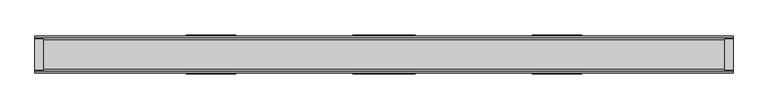
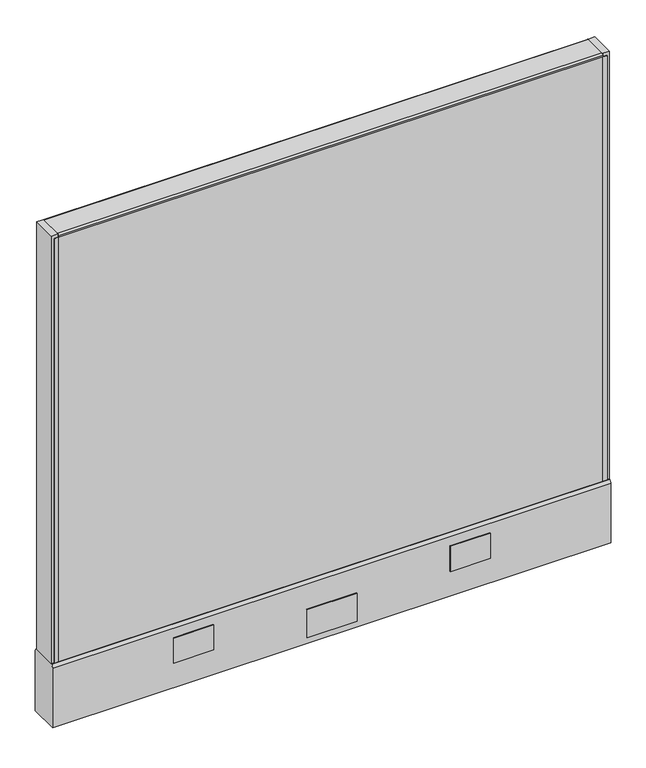
"""IFC4 building model written with IfcOpenShell, lengths in millimetres: furniture geometry."""

from ifc_helpers import new_model, si_unit, point, frame, frame_2d, origin, place, context, project, spatial, polyline, circle_curve, trimmed, segment, composite_curve, outline, extrude, source, transform, mapped, element, save
from ifc_brep_helpers import plane_surface, cylinder_surface, advanced_brep


def furniture_576971b4(model_context):
    return source(origin(), model_context, "Body", "SolidModel", [
        extrude(outline(polyline([(520.7, 25.4), (520.7, 0.0), (-520.7, 0.0), (-520.7, 25.4), (520.7, 25.4)])), frame((0.0, 0.0, 136.525), z_axis=(0.0, 0.0, 1.0), x_axis=(1.0, 0.0, 0.0)), (0.0, 0.0, 1.0), 857.25),
        extrude(outline(polyline([(47.625, 28.575), (-47.625, 28.575), (-47.625, 30.1625), (47.625, 30.1625), (47.625, 28.575)])), frame((0.0, 0.0, 22.225), z_axis=(0.0, 0.0, 1.0), x_axis=(1.0, 0.0, 0.0)), (0.0, 0.0, 1.0), 57.15),
        extrude(outline(polyline([(47.625, -30.1625), (-47.625, -30.1625), (-47.625, -28.575), (47.625, -28.575), (47.625, -30.1625)])), frame((0.0, 0.0, 22.225), z_axis=(0.0, 0.0, 1.0), x_axis=(1.0, 0.0, 0.0)), (0.0, 0.0, 1.0), 57.15),
        advanced_brep(
        [(476.25, 0.0, 0.0), (501.65, 0.0, 0.0), (488.95, 0.0, 0.0), (476.25, 0.0, 4.7625), (501.65, 0.0, 4.7625), (482.6, 0.0, 4.7625), (495.3, 0.0, 4.7625), (482.6, 0.0, 111.125), (495.3, 0.0, 111.125), (488.95, 0.0, 111.125)],
        [
            (0, 1, circle_curve(frame((488.95, 0.0, 0.0), z_axis=(0.0, 0.0, -1.0), x_axis=(1.0, 0.0, 0.0)), 12.7)),
            (1, 2),
            (2, 0),
            (1, 0, circle_curve(frame((488.95, 0.0, 0.0), z_axis=(0.0, 0.0, -1.0), x_axis=(1.0, 0.0, 0.0)), 12.7)),
            (3, 4, circle_curve(frame((488.95, 0.0, 4.7625), z_axis=(0.0, 0.0, -1.0), x_axis=(1.0, 0.0, 0.0)), 12.7)),
            (4, 1),
            (0, 3),
            (4, 3, circle_curve(frame((488.95, 0.0, 4.7625), z_axis=(0.0, 0.0, -1.0), x_axis=(1.0, 0.0, 0.0)), 12.7)),
            (5, 6, circle_curve(frame((488.95, 0.0, 4.7625), z_axis=(0.0, 0.0, -1.0), x_axis=(1.0, 0.0, 0.0)), 6.35)),
            (6, 4),
            (3, 5),
            (6, 5, circle_curve(frame((488.95, 0.0, 4.7625), z_axis=(0.0, 0.0, -1.0), x_axis=(1.0, 0.0, 0.0)), 6.35)),
            (7, 8, circle_curve(frame((488.95, 0.0, 111.125), z_axis=(0.0, 0.0, -1.0), x_axis=(1.0, 0.0, 0.0)), 6.35)),
            (8, 6),
            (5, 7),
            (8, 7, circle_curve(frame((488.95, 0.0, 111.125), z_axis=(0.0, 0.0, -1.0), x_axis=(1.0, 0.0, 0.0)), 6.35)),
            (9, 8),
            (7, 9),
        ],
        [
            plane_surface(frame((488.95, 0.0, 0.0), z_axis=(0.0, 0.0, -1.0), x_axis=(1.0, 0.0, 0.0))),
            cylinder_surface(frame((488.95, 0.0, 114.882153), z_axis=(0.0, 0.0, 1.0), x_axis=(1.0, 0.0, 0.0)), 12.7),
            plane_surface(frame((488.95, 0.0, 4.7625), z_axis=(0.0, 0.0, 1.0), x_axis=(1.0, 0.0, 0.0))),
            cylinder_surface(frame((488.95, 0.0, 114.882153), z_axis=(0.0, 0.0, 1.0), x_axis=(1.0, 0.0, 0.0)), 6.35),
            plane_surface(frame((488.95, 0.0, 111.125), z_axis=(0.0, 0.0, 1.0), x_axis=(1.0, 0.0, 0.0))),
        ],
        [
            (0, [[1, 2, 3]]),
            (0, [[4, -3, -2]]),
            (1, [[5, 6, -1, 7]]),
            (1, [[8, -7, -4, -6]]),
            (2, [[9, 10, -5, 11]]),
            (2, [[12, -11, -8, -10]]),
            (3, [[13, 14, -9, 15]]),
            (3, [[16, -15, -12, -14]]),
            (4, [[17, -13, 18]]),
            (4, [[-18, -16, -17]]),
        ],
    ),
        advanced_brep(
        [(-501.65, 0.0, 4.7625), (-476.25, 0.0, 4.7625), (-476.25, 0.0, 0.0), (-501.65, 0.0, 0.0), (-495.3, 0.0, 4.7625), (-482.6, 0.0, 4.7625), (-495.3, 0.0, 111.125), (-482.6, 0.0, 111.125), (-488.95, 0.0, 111.125), (-488.95, 0.0, 0.0)],
        [
            (0, 1, circle_curve(frame((-488.95, 0.0, 4.7625), z_axis=(0.0, 0.0, -1.0), x_axis=(1.0, 0.0, 0.0)), 12.7)),
            (1, 2),
            (2, 3, circle_curve(frame((-488.95, 0.0, 0.0), z_axis=(0.0, 0.0, 1.0), x_axis=(1.0, 0.0, 0.0)), 12.7)),
            (3, 0),
            (1, 0, circle_curve(frame((-488.95, 0.0, 4.7625), z_axis=(0.0, 0.0, -1.0), x_axis=(1.0, 0.0, 0.0)), 12.7)),
            (3, 2, circle_curve(frame((-488.95, 0.0, 0.0), z_axis=(0.0, 0.0, 1.0), x_axis=(1.0, 0.0, 0.0)), 12.7)),
            (4, 5, circle_curve(frame((-488.95, 0.0, 4.7625), z_axis=(0.0, 0.0, -1.0), x_axis=(1.0, 0.0, 0.0)), 6.35)),
            (5, 1),
            (0, 4),
            (5, 4, circle_curve(frame((-488.95, 0.0, 4.7625), z_axis=(0.0, 0.0, -1.0), x_axis=(1.0, 0.0, 0.0)), 6.35)),
            (6, 7, circle_curve(frame((-488.95, 0.0, 111.125), z_axis=(0.0, 0.0, -1.0), x_axis=(1.0, 0.0, 0.0)), 6.35)),
            (7, 5),
            (4, 6),
            (7, 6, circle_curve(frame((-488.95, 0.0, 111.125), z_axis=(0.0, 0.0, -1.0), x_axis=(1.0, 0.0, 0.0)), 6.35)),
            (8, 7),
            (6, 8),
            (2, 9),
            (9, 3),
        ],
        [
            cylinder_surface(frame((-488.95, 0.0, 123.825), z_axis=(0.0, 0.0, 1.0), x_axis=(1.0, 0.0, 0.0)), 12.7),
            plane_surface(frame((-488.95, 0.0, 4.7625), z_axis=(0.0, 0.0, 1.0), x_axis=(1.0, 0.0, 0.0))),
            cylinder_surface(frame((-488.95, 0.0, 123.825), z_axis=(0.0, 0.0, 1.0), x_axis=(1.0, 0.0, 0.0)), 6.35),
            plane_surface(frame((-488.95, 0.0, 111.125), z_axis=(0.0, 0.0, 1.0), x_axis=(1.0, 0.0, 0.0))),
            plane_surface(frame((-488.95, 0.0, 0.0), z_axis=(0.0, 0.0, -1.0), x_axis=(1.0, 0.0, 0.0))),
        ],
        [
            (0, [[1, 2, 3, 4]]),
            (0, [[5, -4, 6, -2]]),
            (1, [[7, 8, -1, 9]]),
            (1, [[10, -9, -5, -8]]),
            (2, [[11, 12, -7, 13]]),
            (2, [[14, -13, -10, -12]]),
            (3, [[15, -11, 16]]),
            (3, [[-16, -14, -15]]),
            (4, [[-3, 17, 18]]),
            (4, [[-6, -18, -17]]),
        ],
    ),
        extrude(outline(polyline([(-533.4, 23.8125), (-520.7, 23.8125), (-520.7, -23.8125), (-533.4, -23.8125), (-533.4, 23.8125)])), frame((0.0, 0.0, 136.525), z_axis=(0.0, 0.0, 1.0), x_axis=(1.0, 0.0, 0.0)), (0.0, 0.0, 1.0), 863.6),
        extrude(outline(polyline([(533.4, 23.8125), (533.4, -23.8125), (520.7, -23.8125), (520.7, 23.8125), (533.4, 23.8125)])), frame((0.0, 0.0, 136.525), z_axis=(0.0, 0.0, 1.0), x_axis=(1.0, 0.0, 0.0)), (0.0, 0.0, 1.0), 863.6),
        extrude(outline(polyline([(-520.7, 25.4), (-520.7, 23.8125), (-528.6375, 23.8125), (-528.6375, 25.4), (-520.7, 25.4)])), frame((0.0, 0.0, 136.525), z_axis=(0.0, 0.0, 1.0), x_axis=(1.0, 0.0, 0.0)), (0.0, 0.0, 1.0), 857.25),
        extrude(outline(polyline([(-520.7, -25.4), (-528.6375, -25.4), (-528.6375, -23.8125), (-520.7, -23.8125), (-520.7, -25.4)])), frame((0.0, 0.0, 136.525), z_axis=(0.0, 0.0, 1.0), x_axis=(1.0, 0.0, 0.0)), (0.0, 0.0, 1.0), 857.25),
        extrude(outline(polyline([(528.6375, 25.4), (528.6375, 23.8125), (520.7, 23.8125), (520.7, 25.4), (528.6375, 25.4)])), frame((0.0, 0.0, 136.525), z_axis=(0.0, 0.0, 1.0), x_axis=(1.0, 0.0, 0.0)), (0.0, 0.0, 1.0), 857.25),
        extrude(outline(polyline([(520.7, -23.8125), (528.6375, -23.8125), (528.6375, -25.4), (520.7, -25.4), (520.7, -23.8125)])), frame((0.0, 0.0, 136.525), z_axis=(0.0, 0.0, 1.0), x_axis=(1.0, 0.0, 0.0)), (0.0, 0.0, 1.0), 857.25),
        extrude(outline(composite_curve([segment(trimmed(circle_curve(frame_2d((22.225, 996.95)), 3.175), [point((22.225, 1000.125))], [point((25.4, 996.95))], False, "CARTESIAN"), True, "CONTINUOUS"), segment(polyline([(25.4, 996.95), (25.4, 993.775), (-25.4, 993.775), (-25.4, 996.95)]), True, "CONTINUOUS"), segment(trimmed(circle_curve(frame_2d((-22.225, 996.95)), 3.175), [point((-25.4, 996.95))], [point((-22.225, 1000.125))], False, "CARTESIAN"), True, "CONTINUOUS"), segment(polyline([(-22.225, 1000.125), (22.225, 1000.125)]), True, "CONTINUOUS")], self_intersect=False)), frame((-520.7, 0.0, 0.0), z_axis=(1.0, 0.0, 0.0), x_axis=(0.0, 1.0, 0.0)), (0.0, 0.0, 1.0), 1041.4),
        extrude(outline(polyline([(302.514, 30.1625), (302.514, 28.575), (226.206184, 28.575), (226.206184, 30.1625), (302.514, 30.1625)])), frame((0.0, 0.0, 60.325), z_axis=(0.0, 0.0, 1.0), x_axis=(1.0, 0.0, 0.0)), (0.0, 0.0, 1.0), 50.8),
        extrude(outline(polyline([(-226.206184, 30.1625), (-226.206184, 28.575), (-302.514, 28.575), (-302.514, 30.1625), (-226.206184, 30.1625)])), frame((0.0, 0.0, 60.325), z_axis=(0.0, 0.0, 1.0), x_axis=(1.0, 0.0, 0.0)), (0.0, 0.0, 1.0), 50.8),
        extrude(outline(polyline([(302.514, -28.575), (302.514, -30.1625), (226.206184, -30.1625), (226.206184, -28.575), (302.514, -28.575)])), frame((0.0, 0.0, 60.325), z_axis=(0.0, 0.0, 1.0), x_axis=(1.0, 0.0, 0.0)), (0.0, 0.0, 1.0), 50.8),
        extrude(outline(polyline([(-226.206184, -28.575), (-226.206184, -30.1625), (-302.514, -30.1625), (-302.514, -28.575), (-226.206184, -28.575)])), frame((0.0, 0.0, 60.325), z_axis=(0.0, 0.0, 1.0), x_axis=(1.0, 0.0, 0.0)), (0.0, 0.0, 1.0), 50.8),
        extrude(outline(composite_curve([segment(trimmed(circle_curve(frame_2d((20.6375, 130.175)), 7.9375), [point((25.4, 136.525))], [point((28.575, 130.175))], False, "CARTESIAN"), True, "CONTINUOUS"), segment(polyline([(28.575, 130.175), (28.575, 9.525), (-28.575, 9.525), (-28.575, 130.175)]), True, "CONTINUOUS"), segment(trimmed(circle_curve(frame_2d((-20.6375, 130.175)), 7.9375), [point((-28.575, 130.175))], [point((-25.4, 136.525))], False, "CARTESIAN"), True, "CONTINUOUS"), segment(polyline([(-25.4, 136.525), (25.4, 136.525)]), True, "CONTINUOUS")], self_intersect=False)), frame((-533.4, 0.0, 0.0), z_axis=(1.0, 0.0, 0.0), x_axis=(0.0, 1.0, 0.0)), (0.0, 0.0, 1.0), 1066.8),
        extrude(outline(polyline([(520.7, 0.0), (520.7, -25.4), (-520.7, -25.4), (-520.7, 0.0), (520.7, 0.0)])), frame((0.0, 0.0, 136.525), z_axis=(0.0, 0.0, 1.0), x_axis=(1.0, 0.0, 0.0)), (0.0, 0.0, 1.0), 857.25),
    ])


if __name__ == "__main__":
    model = new_model("IFC4")
    model_context = context("Model", 3, world=origin())
    ifc_project = project(units=[si_unit("LENGTHUNIT", "METRE", prefix="MILLI")], contexts=[model_context])
    site = spatial("IfcSite", under=ifc_project)
    building = spatial("IfcBuilding", under=site)
    placement = place(None, origin())
    furniture_shape = furniture_576971b4(model_context)
    element("IfcFurniture", 1, at=placement, inside=building, context=model_context, shape_type="MappedRepresentation", body=[
        mapped(furniture_shape, transform((0.0, 0.0, 0.0), x_axis=(1.0, 0.0, 0.0), y_axis=(0.0, 1.0, 0.0), z_axis=(0.0, 0.0, 1.0))),
    ])
    save(model, "model.ifc")
